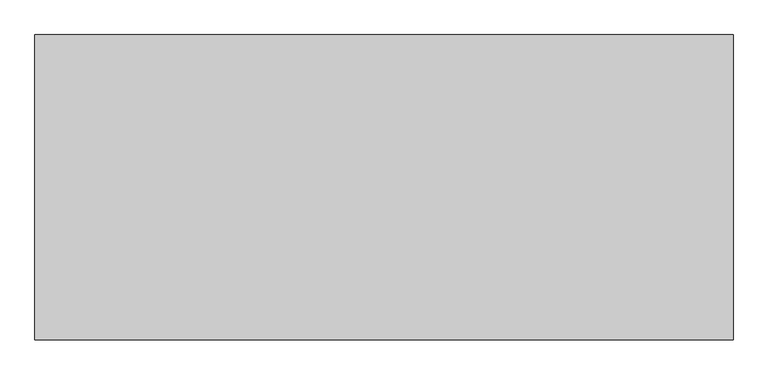
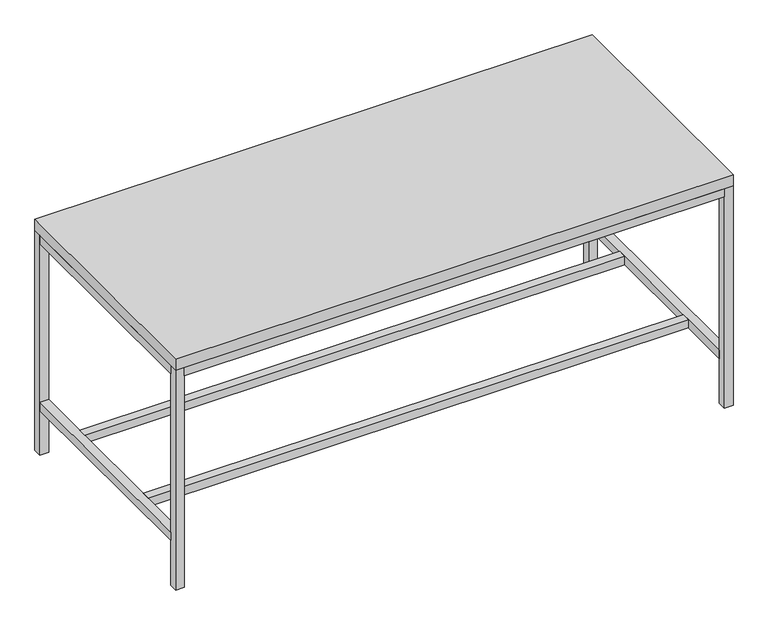
"""IFC4 building model written with IfcOpenShell, lengths in millimetres: furniture geometry."""

import ifcopenshell
import ifcopenshell.guid

model = None  # the IFC model being written
_history = None  # IfcOwnerHistory: only IFC2X3 demands one
_inside = {}  # id of a spatial element -> (the spatial element, [elements in it])
_under = {}  # id of a project, library or spatial element -> (it, [spatial elements below it])
_declared = {}  # id of a project -> (the project, [libraries it declares])
_typed = {}  # id of a type object -> (the type object, [elements of that type])
_made_of = {}  # id of a material, layer set ... -> (it, [elements and type objects made of it])


def new_model(schema):
    """Start an empty IFC model of exactly this schema.

    Asked for "IFC4X3", IfcOpenShell would pick the latest addendum, in which some entities
    have other attributes; the version numbers below select the first issue.
    IFC2X3 requires an IfcOwnerHistory on every rooted entity: one is made here for all.
    """
    global model, _history
    if schema == "IFC4X3":
        model = ifcopenshell.file(schema_version=(4, 3, 0, 0))
    else:
        model = ifcopenshell.file(schema=schema)
    _inside.clear()
    _under.clear()
    _declared.clear()
    _typed.clear()
    _made_of.clear()
    _history = None
    if model.schema == "IFC2X3":
        org = make("IfcOrganization", Name="unknown")
        user = make(
            "IfcPersonAndOrganization",
            ThePerson=make("IfcPerson", FamilyName="unknown"),
            TheOrganization=org,
        )
        app = make(
            "IfcApplication",
            ApplicationDeveloper=org,
            Version="unknown",
            ApplicationFullName="unknown",
            ApplicationIdentifier="unknown",
        )
        _history = make(
            "IfcOwnerHistory",
            OwningUser=user,
            OwningApplication=app,
            ChangeAction="ADDED",
            CreationDate=0,
        )
    return model


def make(cls, **values):
    """One entity of the class cls with the attributes given. An attribute that is None is left unset."""
    return model.create_entity(
        cls, **{name: value for name, value in values.items() if value is not None}
    )


def rooted(cls, **values):
    """An entity with a GlobalId (a new one), such as an element, a storey or a relation."""
    return make(cls, GlobalId=ifcopenshell.guid.new(), OwnerHistory=_history, **values)


def si_unit(unit_type, name, prefix=None):
    """IfcSIUnit, for example si_unit("LENGTHUNIT", "METRE", prefix="MILLI")."""
    return make("IfcSIUnit", UnitType=unit_type, Prefix=prefix, Name=name)


def assignment(units):
    """IfcUnitAssignment: the units of a project."""
    return None if units is None else make("IfcUnitAssignment", Units=units)


def point(xyz):
    """IfcCartesianPoint."""
    return None if xyz is None else make("IfcCartesianPoint", Coordinates=xyz)


def direction(xyz):
    """IfcDirection."""
    return None if xyz is None else make("IfcDirection", DirectionRatios=xyz)


def frame(location, z_axis=None, x_axis=None):
    """IfcAxis2Placement3D, a coordinate frame: its origin and axes. An axis left out is left unset."""
    return make(
        "IfcAxis2Placement3D",
        Location=point(location),
        Axis=direction(z_axis),
        RefDirection=direction(x_axis),
    )


def origin():
    """The frame at (0, 0, 0) with its axes left unset."""
    return frame((0.0, 0.0, 0.0))


def origin_with_axes():
    """The frame at (0, 0, 0) with the z axis (0, 0, 1) and the x axis (1, 0, 0) written out."""
    return frame((0.0, 0.0, 0.0), z_axis=(0.0, 0.0, 1.0), x_axis=(1.0, 0.0, 0.0))


def place(relative_to, where):
    """IfcLocalPlacement: puts the frame where relative to a parent placement (None: the world)."""
    return make(
        "IfcLocalPlacement", PlacementRelTo=relative_to, RelativePlacement=where
    )


def context(
    kind, dimensions, precision=None, world=None, true_north=None, identifier=None
):
    """IfcGeometricRepresentationContext, for example the 3D "Model" context."""
    return make(
        "IfcGeometricRepresentationContext",
        ContextIdentifier=identifier,
        ContextType=kind,
        CoordinateSpaceDimension=dimensions,
        Precision=precision,
        WorldCoordinateSystem=world,
        TrueNorth=true_north,
    )


def project(units=None, contexts=None):
    """IfcProject with its units and contexts."""
    return rooted(
        "IfcProject",
        Name="project",
        RepresentationContexts=contexts,
        UnitsInContext=assignment(units),
    )


def spatial(cls, under=None, at=None, **own):
    """A site, building, storey or space (cls), placed at a placement, below another one or the project."""
    s = rooted(cls, ObjectPlacement=at, **own)
    if under is not None:
        _under.setdefault(under.id(), (under, []))[1].append(s)
    return s


def polyline(points):
    """IfcPolyline through the points."""
    return make("IfcPolyline", Points=[point(p) for p in points])


def outline(outer, holes=None, kind="AREA"):
    """IfcArbitraryClosedProfileDef: a profile drawn as a closed curve; with holes, ...WithVoids."""
    if holes is None:
        return make("IfcArbitraryClosedProfileDef", ProfileType=kind, OuterCurve=outer)
    return make(
        "IfcArbitraryProfileDefWithVoids",
        ProfileType=kind,
        OuterCurve=outer,
        InnerCurves=holes,
    )


def extrude(swept, where, along, depth):
    """IfcExtrudedAreaSolid: the profile swept, set in the frame where, extruded along a direction by depth."""
    return make(
        "IfcExtrudedAreaSolid",
        SweptArea=swept,
        Position=where,
        ExtrudedDirection=direction(along),
        Depth=depth,
    )


def shape(context_of_items, identifier, shape_type, items):
    """IfcShapeRepresentation: the items that make up one representation, for example the "Body"."""
    return make(
        "IfcShapeRepresentation",
        ContextOfItems=context_of_items,
        RepresentationIdentifier=identifier,
        RepresentationType=shape_type,
        Items=items,
    )


def source(mapping_origin, context_of_items, identifier, shape_type, items):
    """IfcRepresentationMap: a shape defined once, which mapped items show again and again."""
    return make(
        "IfcRepresentationMap",
        MappingOrigin=mapping_origin,
        MappedRepresentation=shape(context_of_items, identifier, shape_type, items),
    )


def transform(
    local_origin,
    x_axis=None,
    y_axis=None,
    z_axis=None,
    scale=None,
    scale2=None,
    scale3=None,
    uniform=True,
):
    """IfcCartesianTransformationOperator3D, or its non-uniform kind. x_axis, y_axis, z_axis: its Axis1, 2, 3."""
    if uniform:
        return make(
            "IfcCartesianTransformationOperator3D",
            Axis1=direction(x_axis),
            Axis2=direction(y_axis),
            LocalOrigin=point(local_origin),
            Scale=scale,
            Axis3=direction(z_axis),
        )
    return make(
        "IfcCartesianTransformationOperator3DnonUniform",
        Axis1=direction(x_axis),
        Axis2=direction(y_axis),
        LocalOrigin=point(local_origin),
        Scale=scale,
        Axis3=direction(z_axis),
        Scale2=scale2,
        Scale3=scale3,
    )


def mapped(mapping_source, mapping_target):
    """IfcMappedItem: shows the shape of a source again, moved by a transform."""
    return make(
        "IfcMappedItem", MappingSource=mapping_source, MappingTarget=mapping_target
    )


def made_of(thing, what):
    """Note that an element or type object is made of a material, layer set ...; save() writes the relation."""
    if what is not None:
        _made_of.setdefault(what.id(), (what, []))[1].append(thing)
    return thing


def element(
    cls,
    number,
    at=None,
    inside=None,
    cuts=None,
    type_object=None,
    material=None,
    context=None,
    identifier="Body",
    shape_type=None,
    held_by="IfcProductDefinitionShape",
    body=None,
    shapes=None,
    **own,
):
    """One element of the class cls, such as IfcWall. Its Tag is "e" and its number.

    at: its placement. inside: the storey or other place that contains it. cuts: it is an
    opening in that element (IfcRelVoidsElement). A single representation is given by context,
    identifier, shape_type and body (its items); several are given by shapes. held_by: the class
    of the entity that holds the representations. save() writes the other relations.
    """
    e = rooted(cls, Tag="e%d" % number, ObjectPlacement=at, **own)
    if body is not None:
        shapes = [shape(context, identifier, shape_type, body)]
    if shapes is not None:
        e.Representation = make(held_by, Representations=shapes)
    if inside is not None:
        _inside.setdefault(inside.id(), (inside, []))[1].append(e)
    if cuts is not None:
        rooted(
            "IfcRelVoidsElement", RelatingBuildingElement=cuts, RelatedOpeningElement=e
        )
    if type_object is not None:
        _typed.setdefault(type_object.id(), (type_object, []))[1].append(e)
    return made_of(e, material)


def aggregate(whole, parts):
    """IfcRelAggregates: a whole, such as a stair, and the parts it consists of."""
    return rooted("IfcRelAggregates", RelatingObject=whole, RelatedObjects=parts)


def save(model, path):
    """Write the relations noted so far, then the file.

    IfcRelAggregates (storeys below a building ...), IfcRelContainedInSpatialStructure (elements
    in a storey), IfcRelDefinesByType, IfcRelAssociatesMaterial and IfcRelDeclares: one each for
    every whole, place, type object, material and project.
    """
    for whole, parts in _under.values():
        aggregate(whole, parts)
    for where, things in _inside.values():
        rooted(
            "IfcRelContainedInSpatialStructure",
            RelatedElements=things,
            RelatingStructure=where,
        )
    for kind, things in _typed.values():
        rooted("IfcRelDefinesByType", RelatedObjects=things, RelatingType=kind)
    for what, things in _made_of.values():
        rooted("IfcRelAssociatesMaterial", RelatedObjects=things, RelatingMaterial=what)
    for by, libraries in _declared.values():
        rooted("IfcRelDeclares", RelatingContext=by, RelatedDefinitions=libraries)
    model.write(path)


def furniture_b5f36091(model_context):
    return source(origin(), model_context, "Body", "SweptSolid", [
        extrude(outline(polyline([(7251.7, 597.9973297), (7251.7, -468.8026703), (4813.3, -468.8026703), (4813.3, 597.9973297), (7251.7, 597.9973297)])), frame((0.0, 0.0, 1016.0), z_axis=(0.0, 0.0, 1.0), x_axis=(1.0, 0.0, 0.0)), (0.0, 0.0, 1.0), 50.8),
        extrude(outline(polyline([(7213.6, 324.9473297), (7213.6, 286.8473297), (4851.4, 286.8473297), (4851.4, 324.9473297), (7213.6, 324.9473297)])), frame((0.0, 0.0, 206.375), z_axis=(0.0, 0.0, 1.0), x_axis=(1.0, 0.0, 0.0)), (0.0, 0.0, 1.0), 38.1),
        extrude(outline(polyline([(7213.6, -157.6527578), (7213.6, -195.7527578), (4851.4, -195.7527578), (4851.4, -157.6527578), (7213.6, -157.6527578)])), frame((0.0, 0.0, 206.375), z_axis=(0.0, 0.0, 1.0), x_axis=(1.0, 0.0, 0.0)), (0.0, 0.0, 1.0), 38.1),
        extrude(outline(polyline([(7213.6, 559.8973297), (4851.4, 559.8973297), (4851.4, 597.9973297), (7213.6, 597.9973297), (7213.6, 559.8973297)])), frame((0.0, 0.0, 977.9), z_axis=(0.0, 0.0, 1.0), x_axis=(1.0, 0.0, 0.0)), (0.0, 0.0, 1.0), 38.1),
        extrude(outline(polyline([(4851.4, -468.8026703), (4851.4, -430.7027578), (7213.6, -430.7027578), (7213.6, -468.8026703), (4851.4, -468.8026703)])), frame((0.0, 0.0, 977.9), z_axis=(0.0, 0.0, 1.0), x_axis=(1.0, 0.0, 0.0)), (0.0, 0.0, 1.0), 38.1),
        extrude(outline(polyline([(7213.6, -430.7027578), (7213.6, 559.8973297), (7251.7, 559.8973297), (7251.7, -430.7027578), (7213.6, -430.7027578)])), frame((0.0, 0.0, 977.9), z_axis=(0.0, 0.0, 1.0), x_axis=(1.0, 0.0, 0.0)), (0.0, 0.0, 1.0), 38.1),
        extrude(outline(polyline([(7213.6, -430.7027578), (7213.6, 559.8973297), (7251.7, 559.8973297), (7251.7, -430.7027578), (7213.6, -430.7027578)])), frame((0.0, 0.0, 206.375), z_axis=(0.0, 0.0, 1.0), x_axis=(1.0, 0.0, 0.0)), (0.0, 0.0, 1.0), 38.1),
        extrude(outline(polyline([(4813.3, -430.7027578), (4813.3, 559.8973297), (4851.4, 559.8973297), (4851.4, -430.7027578), (4813.3, -430.7027578)])), frame((0.0, 0.0, 206.375), z_axis=(0.0, 0.0, 1.0), x_axis=(1.0, 0.0, 0.0)), (0.0, 0.0, 1.0), 38.1),
        extrude(outline(polyline([(4813.3, -430.7027578), (4813.3, 559.8973297), (4851.4, 559.8973297), (4851.4, -430.7027578), (4813.3, -430.7027578)])), frame((0.0, 0.0, 977.9), z_axis=(0.0, 0.0, 1.0), x_axis=(1.0, 0.0, 0.0)), (0.0, 0.0, 1.0), 38.1),
        extrude(outline(polyline([(7251.7, 597.9973297), (7251.7, 559.8973297), (7213.6, 559.8973297), (7213.6, 597.9973297), (7251.7, 597.9973297)])), origin_with_axes(), (0.0, 0.0, 1.0), 1016.0),
        extrude(outline(polyline([(7251.7, -430.7027578), (7251.7, -468.8026703), (7213.6, -468.8026703), (7213.6, -430.7027578), (7251.7, -430.7027578)])), origin_with_axes(), (0.0, 0.0, 1.0), 1016.0),
        extrude(outline(polyline([(4851.4, -430.7027578), (4851.4, -468.8026703), (4813.3, -468.8026703), (4813.3, -430.7027578), (4851.4, -430.7027578)])), origin_with_axes(), (0.0, 0.0, 1.0), 1016.0),
        extrude(outline(polyline([(4851.4, 597.9973297), (4851.4, 559.8973297), (4813.3, 559.8973297), (4813.3, 597.9973297), (4851.4, 597.9973297)])), origin_with_axes(), (0.0, 0.0, 1.0), 1016.0),
    ])


if __name__ == "__main__":
    model = new_model("IFC4")
    model_context = context("Model", 3, world=origin())
    ifc_project = project(units=[si_unit("LENGTHUNIT", "METRE", prefix="MILLI")], contexts=[model_context])
    site = spatial("IfcSite", under=ifc_project)
    building = spatial("IfcBuilding", under=site)
    placement = place(None, origin())
    furniture_shape = furniture_b5f36091(model_context)
    element("IfcFurniture", 1, at=placement, inside=building, context=model_context, shape_type="MappedRepresentation", body=[
        mapped(furniture_shape, transform((0.0, 0.0, 0.0), x_axis=(1.0, 0.0, 0.0), y_axis=(0.0, 1.0, 0.0), z_axis=(0.0, 0.0, 1.0))),
    ])
    save(model, "model.ifc")
